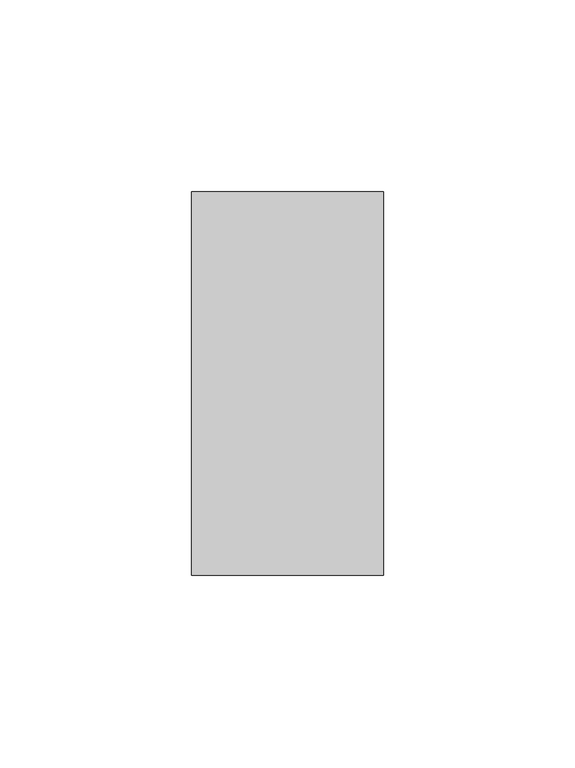
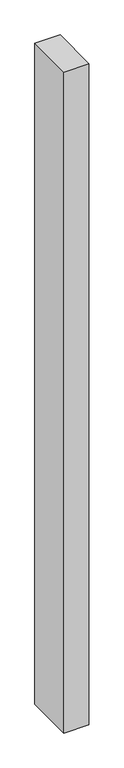
"""IFC4 building model written with IfcOpenShell, lengths in millimetres: member geometry."""

from ifc_helpers import new_model, si_unit, frame, origin, place, context, project, spatial, polyline, outline, extrude, source, transform, mapped, element, save


def member_18d17ff0(model_context):
    return source(origin(), model_context, "Body", "SweptSolid", [
        extrude(outline(polyline([(0.0, 50.0), (0.0, -50.0), (-50.0, -50.0), (-50.0, 50.0), (0.0, 50.0)])), frame((0.0, 0.0, -1392.2823646), z_axis=(0.0, 0.0, 1.0), x_axis=(1.0, 0.0, 0.0)), (0.0, 0.0, 1.0), 1392.2823646),
    ])


if __name__ == "__main__":
    model = new_model("IFC4")
    model_context = context("Model", 3, world=origin())
    ifc_project = project(units=[si_unit("LENGTHUNIT", "METRE", prefix="MILLI")], contexts=[model_context])
    site = spatial("IfcSite", under=ifc_project)
    building = spatial("IfcBuilding", under=site)
    placement = place(None, origin())
    member_shape = member_18d17ff0(model_context)
    element("IfcMember", 1, at=placement, inside=building, context=model_context, shape_type="MappedRepresentation", body=[
        mapped(member_shape, transform((0.0, 0.0, 0.0), x_axis=(1.0, 0.0, 0.0), y_axis=(0.0, 1.0, 0.0), z_axis=(0.0, 0.0, 1.0))),
    ])
    save(model, "model.ifc")
